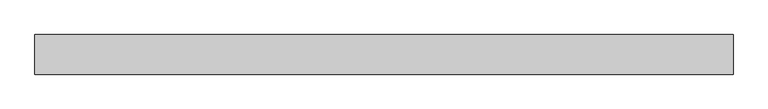
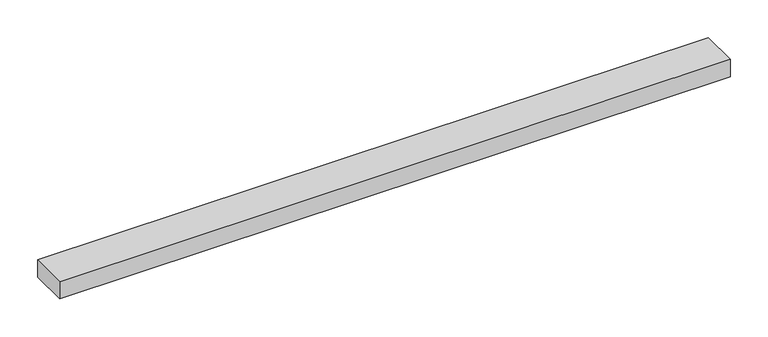
"""IFC4 building model written with IfcOpenShell, lengths in millimetres: proxy geometry."""

import ifcopenshell
import ifcopenshell.guid

model = None  # the IFC model being written
_history = None  # IfcOwnerHistory: only IFC2X3 demands one
_inside = {}  # id of a spatial element -> (the spatial element, [elements in it])
_under = {}  # id of a project, library or spatial element -> (it, [spatial elements below it])
_declared = {}  # id of a project -> (the project, [libraries it declares])
_typed = {}  # id of a type object -> (the type object, [elements of that type])
_made_of = {}  # id of a material, layer set ... -> (it, [elements and type objects made of it])


def new_model(schema):
    """Start an empty IFC model of exactly this schema.

    Asked for "IFC4X3", IfcOpenShell would pick the latest addendum, in which some entities
    have other attributes; the version numbers below select the first issue.
    IFC2X3 requires an IfcOwnerHistory on every rooted entity: one is made here for all.
    """
    global model, _history
    if schema == "IFC4X3":
        model = ifcopenshell.file(schema_version=(4, 3, 0, 0))
    else:
        model = ifcopenshell.file(schema=schema)
    _inside.clear()
    _under.clear()
    _declared.clear()
    _typed.clear()
    _made_of.clear()
    _history = None
    if model.schema == "IFC2X3":
        org = make("IfcOrganization", Name="unknown")
        user = make(
            "IfcPersonAndOrganization",
            ThePerson=make("IfcPerson", FamilyName="unknown"),
            TheOrganization=org,
        )
        app = make(
            "IfcApplication",
            ApplicationDeveloper=org,
            Version="unknown",
            ApplicationFullName="unknown",
            ApplicationIdentifier="unknown",
        )
        _history = make(
            "IfcOwnerHistory",
            OwningUser=user,
            OwningApplication=app,
            ChangeAction="ADDED",
            CreationDate=0,
        )
    return model


def make(cls, **values):
    """One entity of the class cls with the attributes given. An attribute that is None is left unset."""
    return model.create_entity(
        cls, **{name: value for name, value in values.items() if value is not None}
    )


def rooted(cls, **values):
    """An entity with a GlobalId (a new one), such as an element, a storey or a relation."""
    return make(cls, GlobalId=ifcopenshell.guid.new(), OwnerHistory=_history, **values)


def si_unit(unit_type, name, prefix=None):
    """IfcSIUnit, for example si_unit("LENGTHUNIT", "METRE", prefix="MILLI")."""
    return make("IfcSIUnit", UnitType=unit_type, Prefix=prefix, Name=name)


def assignment(units):
    """IfcUnitAssignment: the units of a project."""
    return None if units is None else make("IfcUnitAssignment", Units=units)


def point(xyz):
    """IfcCartesianPoint."""
    return None if xyz is None else make("IfcCartesianPoint", Coordinates=xyz)


def direction(xyz):
    """IfcDirection."""
    return None if xyz is None else make("IfcDirection", DirectionRatios=xyz)


def frame(location, z_axis=None, x_axis=None):
    """IfcAxis2Placement3D, a coordinate frame: its origin and axes. An axis left out is left unset."""
    return make(
        "IfcAxis2Placement3D",
        Location=point(location),
        Axis=direction(z_axis),
        RefDirection=direction(x_axis),
    )


def origin():
    """The frame at (0, 0, 0) with its axes left unset."""
    return frame((0.0, 0.0, 0.0))


def place(relative_to, where):
    """IfcLocalPlacement: puts the frame where relative to a parent placement (None: the world)."""
    return make(
        "IfcLocalPlacement", PlacementRelTo=relative_to, RelativePlacement=where
    )


def context(
    kind, dimensions, precision=None, world=None, true_north=None, identifier=None
):
    """IfcGeometricRepresentationContext, for example the 3D "Model" context."""
    return make(
        "IfcGeometricRepresentationContext",
        ContextIdentifier=identifier,
        ContextType=kind,
        CoordinateSpaceDimension=dimensions,
        Precision=precision,
        WorldCoordinateSystem=world,
        TrueNorth=true_north,
    )


def project(units=None, contexts=None):
    """IfcProject with its units and contexts."""
    return rooted(
        "IfcProject",
        Name="project",
        RepresentationContexts=contexts,
        UnitsInContext=assignment(units),
    )


def spatial(cls, under=None, at=None, **own):
    """A site, building, storey or space (cls), placed at a placement, below another one or the project."""
    s = rooted(cls, ObjectPlacement=at, **own)
    if under is not None:
        _under.setdefault(under.id(), (under, []))[1].append(s)
    return s


def polyline(points):
    """IfcPolyline through the points."""
    return make("IfcPolyline", Points=[point(p) for p in points])


def outline(outer, holes=None, kind="AREA"):
    """IfcArbitraryClosedProfileDef: a profile drawn as a closed curve; with holes, ...WithVoids."""
    if holes is None:
        return make("IfcArbitraryClosedProfileDef", ProfileType=kind, OuterCurve=outer)
    return make(
        "IfcArbitraryProfileDefWithVoids",
        ProfileType=kind,
        OuterCurve=outer,
        InnerCurves=holes,
    )


def extrude(swept, where, along, depth):
    """IfcExtrudedAreaSolid: the profile swept, set in the frame where, extruded along a direction by depth."""
    return make(
        "IfcExtrudedAreaSolid",
        SweptArea=swept,
        Position=where,
        ExtrudedDirection=direction(along),
        Depth=depth,
    )


def shape(context_of_items, identifier, shape_type, items):
    """IfcShapeRepresentation: the items that make up one representation, for example the "Body"."""
    return make(
        "IfcShapeRepresentation",
        ContextOfItems=context_of_items,
        RepresentationIdentifier=identifier,
        RepresentationType=shape_type,
        Items=items,
    )


def source(mapping_origin, context_of_items, identifier, shape_type, items):
    """IfcRepresentationMap: a shape defined once, which mapped items show again and again."""
    return make(
        "IfcRepresentationMap",
        MappingOrigin=mapping_origin,
        MappedRepresentation=shape(context_of_items, identifier, shape_type, items),
    )


def transform(
    local_origin,
    x_axis=None,
    y_axis=None,
    z_axis=None,
    scale=None,
    scale2=None,
    scale3=None,
    uniform=True,
):
    """IfcCartesianTransformationOperator3D, or its non-uniform kind. x_axis, y_axis, z_axis: its Axis1, 2, 3."""
    if uniform:
        return make(
            "IfcCartesianTransformationOperator3D",
            Axis1=direction(x_axis),
            Axis2=direction(y_axis),
            LocalOrigin=point(local_origin),
            Scale=scale,
            Axis3=direction(z_axis),
        )
    return make(
        "IfcCartesianTransformationOperator3DnonUniform",
        Axis1=direction(x_axis),
        Axis2=direction(y_axis),
        LocalOrigin=point(local_origin),
        Scale=scale,
        Axis3=direction(z_axis),
        Scale2=scale2,
        Scale3=scale3,
    )


def mapped(mapping_source, mapping_target):
    """IfcMappedItem: shows the shape of a source again, moved by a transform."""
    return make(
        "IfcMappedItem", MappingSource=mapping_source, MappingTarget=mapping_target
    )


def made_of(thing, what):
    """Note that an element or type object is made of a material, layer set ...; save() writes the relation."""
    if what is not None:
        _made_of.setdefault(what.id(), (what, []))[1].append(thing)
    return thing


def element(
    cls,
    number,
    at=None,
    inside=None,
    cuts=None,
    type_object=None,
    material=None,
    context=None,
    identifier="Body",
    shape_type=None,
    held_by="IfcProductDefinitionShape",
    body=None,
    shapes=None,
    **own,
):
    """One element of the class cls, such as IfcWall. Its Tag is "e" and its number.

    at: its placement. inside: the storey or other place that contains it. cuts: it is an
    opening in that element (IfcRelVoidsElement). A single representation is given by context,
    identifier, shape_type and body (its items); several are given by shapes. held_by: the class
    of the entity that holds the representations. save() writes the other relations.
    """
    e = rooted(cls, Tag="e%d" % number, ObjectPlacement=at, **own)
    if body is not None:
        shapes = [shape(context, identifier, shape_type, body)]
    if shapes is not None:
        e.Representation = make(held_by, Representations=shapes)
    if inside is not None:
        _inside.setdefault(inside.id(), (inside, []))[1].append(e)
    if cuts is not None:
        rooted(
            "IfcRelVoidsElement", RelatingBuildingElement=cuts, RelatedOpeningElement=e
        )
    if type_object is not None:
        _typed.setdefault(type_object.id(), (type_object, []))[1].append(e)
    return made_of(e, material)


def aggregate(whole, parts):
    """IfcRelAggregates: a whole, such as a stair, and the parts it consists of."""
    return rooted("IfcRelAggregates", RelatingObject=whole, RelatedObjects=parts)


def save(model, path):
    """Write the relations noted so far, then the file.

    IfcRelAggregates (storeys below a building ...), IfcRelContainedInSpatialStructure (elements
    in a storey), IfcRelDefinesByType, IfcRelAssociatesMaterial and IfcRelDeclares: one each for
    every whole, place, type object, material and project.
    """
    for whole, parts in _under.values():
        aggregate(whole, parts)
    for where, things in _inside.values():
        rooted(
            "IfcRelContainedInSpatialStructure",
            RelatedElements=things,
            RelatingStructure=where,
        )
    for kind, things in _typed.values():
        rooted("IfcRelDefinesByType", RelatedObjects=things, RelatingType=kind)
    for what, things in _made_of.values():
        rooted("IfcRelAssociatesMaterial", RelatedObjects=things, RelatingMaterial=what)
    for by, libraries in _declared.values():
        rooted("IfcRelDeclares", RelatingContext=by, RelatedDefinitions=libraries)
    model.write(path)


def specialty_equipment_ad3c6e8b(model_context):
    return source(origin(), model_context, "Body", "SweptSolid", [
        extrude(outline(polyline([(-514.35, -29.2199219), (-514.35, 29.2199219), (514.35, 29.2199219), (514.35, -29.2199219), (-514.35, -29.2199219)])), frame((0.0, 0.0, -13.9898438), z_axis=(0.0, 0.0, 1.0), x_axis=(1.0, 0.0, 0.0)), (0.0, 0.0, 1.0), 27.9796875),
    ])


if __name__ == "__main__":
    model = new_model("IFC4")
    model_context = context("Model", 3, world=origin())
    ifc_project = project(units=[si_unit("LENGTHUNIT", "METRE", prefix="MILLI")], contexts=[model_context])
    site = spatial("IfcSite", under=ifc_project)
    building = spatial("IfcBuilding", under=site)
    placement = place(None, origin())
    specialty_equipment_shape = specialty_equipment_ad3c6e8b(model_context)
    element("IfcBuildingElementProxy", 1, Name="Specialty Equipment", at=placement, inside=building, context=model_context, shape_type="MappedRepresentation", body=[
        mapped(specialty_equipment_shape, transform((0.0, 0.0, 0.0), x_axis=(1.0, 0.0, 0.0), y_axis=(0.0, 1.0, 0.0), z_axis=(0.0, 0.0, 1.0))),
    ])
    save(model, "model.ifc")
